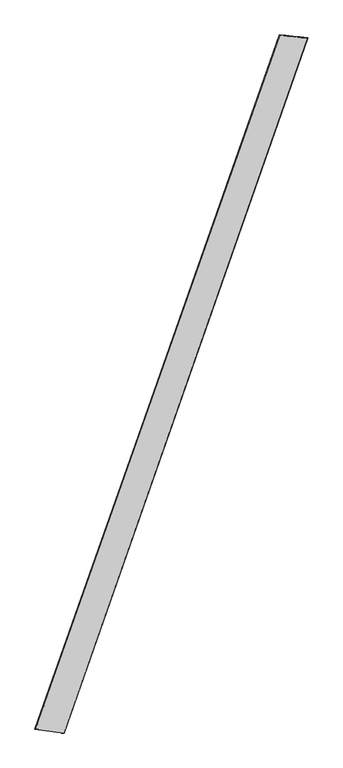
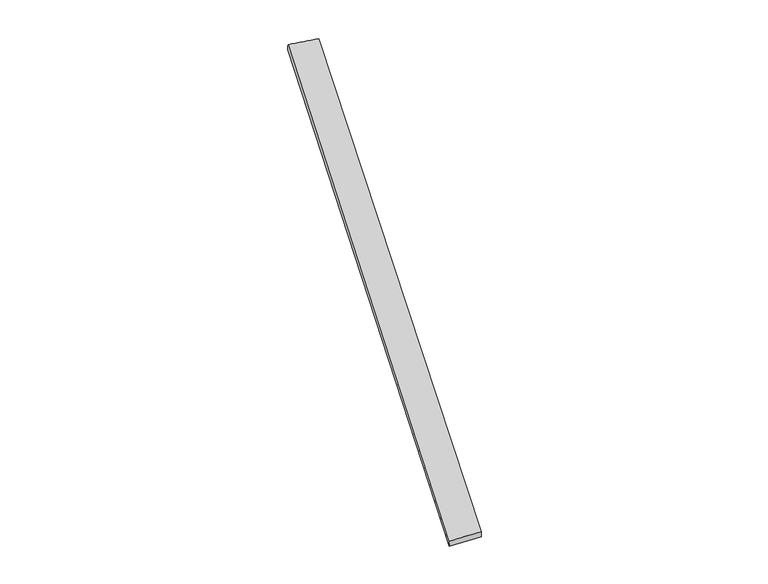
"""IFC4 building model written with IfcOpenShell, lengths in millimetres: proxy geometry."""

import ifcopenshell
import ifcopenshell.guid

model = None  # the IFC model being written
_history = None  # IfcOwnerHistory: only IFC2X3 demands one
_inside = {}  # id of a spatial element -> (the spatial element, [elements in it])
_under = {}  # id of a project, library or spatial element -> (it, [spatial elements below it])
_declared = {}  # id of a project -> (the project, [libraries it declares])
_typed = {}  # id of a type object -> (the type object, [elements of that type])
_made_of = {}  # id of a material, layer set ... -> (it, [elements and type objects made of it])


def new_model(schema):
    """Start an empty IFC model of exactly this schema.

    Asked for "IFC4X3", IfcOpenShell would pick the latest addendum, in which some entities
    have other attributes; the version numbers below select the first issue.
    IFC2X3 requires an IfcOwnerHistory on every rooted entity: one is made here for all.
    """
    global model, _history
    if schema == "IFC4X3":
        model = ifcopenshell.file(schema_version=(4, 3, 0, 0))
    else:
        model = ifcopenshell.file(schema=schema)
    _inside.clear()
    _under.clear()
    _declared.clear()
    _typed.clear()
    _made_of.clear()
    _history = None
    if model.schema == "IFC2X3":
        org = make("IfcOrganization", Name="unknown")
        user = make(
            "IfcPersonAndOrganization",
            ThePerson=make("IfcPerson", FamilyName="unknown"),
            TheOrganization=org,
        )
        app = make(
            "IfcApplication",
            ApplicationDeveloper=org,
            Version="unknown",
            ApplicationFullName="unknown",
            ApplicationIdentifier="unknown",
        )
        _history = make(
            "IfcOwnerHistory",
            OwningUser=user,
            OwningApplication=app,
            ChangeAction="ADDED",
            CreationDate=0,
        )
    return model


def make(cls, **values):
    """One entity of the class cls with the attributes given. An attribute that is None is left unset."""
    return model.create_entity(
        cls, **{name: value for name, value in values.items() if value is not None}
    )


def rooted(cls, **values):
    """An entity with a GlobalId (a new one), such as an element, a storey or a relation."""
    return make(cls, GlobalId=ifcopenshell.guid.new(), OwnerHistory=_history, **values)


def si_unit(unit_type, name, prefix=None):
    """IfcSIUnit, for example si_unit("LENGTHUNIT", "METRE", prefix="MILLI")."""
    return make("IfcSIUnit", UnitType=unit_type, Prefix=prefix, Name=name)


def assignment(units):
    """IfcUnitAssignment: the units of a project."""
    return None if units is None else make("IfcUnitAssignment", Units=units)


def point(xyz):
    """IfcCartesianPoint."""
    return None if xyz is None else make("IfcCartesianPoint", Coordinates=xyz)


def direction(xyz):
    """IfcDirection."""
    return None if xyz is None else make("IfcDirection", DirectionRatios=xyz)


def frame(location, z_axis=None, x_axis=None):
    """IfcAxis2Placement3D, a coordinate frame: its origin and axes. An axis left out is left unset."""
    return make(
        "IfcAxis2Placement3D",
        Location=point(location),
        Axis=direction(z_axis),
        RefDirection=direction(x_axis),
    )


def origin():
    """The frame at (0, 0, 0) with its axes left unset."""
    return frame((0.0, 0.0, 0.0))


def place(relative_to, where):
    """IfcLocalPlacement: puts the frame where relative to a parent placement (None: the world)."""
    return make(
        "IfcLocalPlacement", PlacementRelTo=relative_to, RelativePlacement=where
    )


def context(
    kind, dimensions, precision=None, world=None, true_north=None, identifier=None
):
    """IfcGeometricRepresentationContext, for example the 3D "Model" context."""
    return make(
        "IfcGeometricRepresentationContext",
        ContextIdentifier=identifier,
        ContextType=kind,
        CoordinateSpaceDimension=dimensions,
        Precision=precision,
        WorldCoordinateSystem=world,
        TrueNorth=true_north,
    )


def project(units=None, contexts=None):
    """IfcProject with its units and contexts."""
    return rooted(
        "IfcProject",
        Name="project",
        RepresentationContexts=contexts,
        UnitsInContext=assignment(units),
    )


def spatial(cls, under=None, at=None, **own):
    """A site, building, storey or space (cls), placed at a placement, below another one or the project."""
    s = rooted(cls, ObjectPlacement=at, **own)
    if under is not None:
        _under.setdefault(under.id(), (under, []))[1].append(s)
    return s


def shape(context_of_items, identifier, shape_type, items):
    """IfcShapeRepresentation: the items that make up one representation, for example the "Body"."""
    return make(
        "IfcShapeRepresentation",
        ContextOfItems=context_of_items,
        RepresentationIdentifier=identifier,
        RepresentationType=shape_type,
        Items=items,
    )


def source(mapping_origin, context_of_items, identifier, shape_type, items):
    """IfcRepresentationMap: a shape defined once, which mapped items show again and again."""
    return make(
        "IfcRepresentationMap",
        MappingOrigin=mapping_origin,
        MappedRepresentation=shape(context_of_items, identifier, shape_type, items),
    )


def transform(
    local_origin,
    x_axis=None,
    y_axis=None,
    z_axis=None,
    scale=None,
    scale2=None,
    scale3=None,
    uniform=True,
):
    """IfcCartesianTransformationOperator3D, or its non-uniform kind. x_axis, y_axis, z_axis: its Axis1, 2, 3."""
    if uniform:
        return make(
            "IfcCartesianTransformationOperator3D",
            Axis1=direction(x_axis),
            Axis2=direction(y_axis),
            LocalOrigin=point(local_origin),
            Scale=scale,
            Axis3=direction(z_axis),
        )
    return make(
        "IfcCartesianTransformationOperator3DnonUniform",
        Axis1=direction(x_axis),
        Axis2=direction(y_axis),
        LocalOrigin=point(local_origin),
        Scale=scale,
        Axis3=direction(z_axis),
        Scale2=scale2,
        Scale3=scale3,
    )


def mapped(mapping_source, mapping_target):
    """IfcMappedItem: shows the shape of a source again, moved by a transform."""
    return make(
        "IfcMappedItem", MappingSource=mapping_source, MappingTarget=mapping_target
    )


def made_of(thing, what):
    """Note that an element or type object is made of a material, layer set ...; save() writes the relation."""
    if what is not None:
        _made_of.setdefault(what.id(), (what, []))[1].append(thing)
    return thing


def element(
    cls,
    number,
    at=None,
    inside=None,
    cuts=None,
    type_object=None,
    material=None,
    context=None,
    identifier="Body",
    shape_type=None,
    held_by="IfcProductDefinitionShape",
    body=None,
    shapes=None,
    **own,
):
    """One element of the class cls, such as IfcWall. Its Tag is "e" and its number.

    at: its placement. inside: the storey or other place that contains it. cuts: it is an
    opening in that element (IfcRelVoidsElement). A single representation is given by context,
    identifier, shape_type and body (its items); several are given by shapes. held_by: the class
    of the entity that holds the representations. save() writes the other relations.
    """
    e = rooted(cls, Tag="e%d" % number, ObjectPlacement=at, **own)
    if body is not None:
        shapes = [shape(context, identifier, shape_type, body)]
    if shapes is not None:
        e.Representation = make(held_by, Representations=shapes)
    if inside is not None:
        _inside.setdefault(inside.id(), (inside, []))[1].append(e)
    if cuts is not None:
        rooted(
            "IfcRelVoidsElement", RelatingBuildingElement=cuts, RelatedOpeningElement=e
        )
    if type_object is not None:
        _typed.setdefault(type_object.id(), (type_object, []))[1].append(e)
    return made_of(e, material)


def aggregate(whole, parts):
    """IfcRelAggregates: a whole, such as a stair, and the parts it consists of."""
    return rooted("IfcRelAggregates", RelatingObject=whole, RelatedObjects=parts)


def save(model, path):
    """Write the relations noted so far, then the file.

    IfcRelAggregates (storeys below a building ...), IfcRelContainedInSpatialStructure (elements
    in a storey), IfcRelDefinesByType, IfcRelAssociatesMaterial and IfcRelDeclares: one each for
    every whole, place, type object, material and project.
    """
    for whole, parts in _under.values():
        aggregate(whole, parts)
    for where, things in _inside.values():
        rooted(
            "IfcRelContainedInSpatialStructure",
            RelatedElements=things,
            RelatingStructure=where,
        )
    for kind, things in _typed.values():
        rooted("IfcRelDefinesByType", RelatedObjects=things, RelatingType=kind)
    for what, things in _made_of.values():
        rooted("IfcRelAssociatesMaterial", RelatedObjects=things, RelatingMaterial=what)
    for by, libraries in _declared.values():
        rooted("IfcRelDeclares", RelatingContext=by, RelatedDefinitions=libraries)
    model.write(path)


def spline_surface(u_degree, v_degree, points, u_multiplicities, v_multiplicities, u_knots, v_knots, weights=None):
    """IfcBSplineSurfaceWithKnots; with weights, IfcRationalBSplineSurfaceWithKnots. points: one row for each step in u."""
    own = dict(
        UDegree=u_degree,
        VDegree=v_degree,
        ControlPointsList=[[point(p) for p in row] for row in points],
        SurfaceForm="UNSPECIFIED",
        UClosed=False,
        VClosed=False,
        SelfIntersect=False,
        UMultiplicities=u_multiplicities,
        VMultiplicities=v_multiplicities,
        UKnots=u_knots,
        VKnots=v_knots,
        KnotSpec="UNSPECIFIED",
    )
    if weights is None:
        return make("IfcBSplineSurfaceWithKnots", **own)
    return make("IfcRationalBSplineSurfaceWithKnots", WeightsData=weights, **own)


def advanced_brep(points, edges, surfaces, faces):
    """IfcAdvancedBrep: a solid bounded by faces that lie on surfaces and meet in shared edges.

    An edge is (start, end): straight between two places in points (the first is 0);
    or (start, end, curve); or (start, end, curve, False) where it runs against its curve.
    A face is (place in surfaces, loops), or (place, loops, False) where it looks against
    its surface's normal. A loop lists edges by number (the first is 1), with a minus sign
    where the edge is run from its end to its start. The first loop is the outer one.
    """
    corners = [point(p) for p in points]
    vertices = [make("IfcVertexPoint", VertexGeometry=c) for c in corners]
    made = []
    for start, end, *more in edges:
        made.append(
            make(
                "IfcEdgeCurve",
                EdgeStart=vertices[start],
                EdgeEnd=vertices[end],
                EdgeGeometry=more[0] if more else make("IfcPolyline", Points=[corners[start], corners[end]]),
                SameSense=more[1] if len(more) > 1 else True,
            )
        )
    hull = []
    for where, loops, *sense in faces:
        bounds = []
        for j, loop in enumerate(loops):
            ring = [make("IfcOrientedEdge", EdgeElement=made[abs(k) - 1], Orientation=k > 0) for k in loop]
            bounds.append(
                make(
                    "IfcFaceOuterBound" if j == 0 else "IfcFaceBound",
                    Bound=make("IfcEdgeLoop", EdgeList=ring),
                    Orientation=True,
                )
            )
        hull.append(make("IfcAdvancedFace", Bounds=bounds, FaceSurface=surfaces[where], SameSense=sense[0] if sense else True))
    return make("IfcAdvancedBrep", Outer=make("IfcClosedShell", CfsFaces=hull))


def generic_models_34538242(model_context):
    return source(origin(), model_context, "Body", "AdvancedBrep", [
        advanced_brep(
        [(-693.6197944, -1757.1701459, -5.6095046), (-696.9956982, -1756.0693529, 24.179613), (684.8847392, 2155.2021454, 35.6827253), (682.7731342, 2156.0318406, 5.7686362), (-531.8110129, -1777.6926608, 35.5949386), (843.9909188, 2138.5375027, 24.1620994), (-531.1277456, -1778.0192049, 5.6044982), (841.9744058, 2139.1575102, -5.7636298)],
        [
            (0, 1),
            (1, 2),
            (2, 3),
            (3, 0),
            (1, 4),
            (4, 5),
            (5, 2),
            (4, 6),
            (6, 7),
            (7, 5),
            (6, 0),
            (3, 7),
        ],
        [
            spline_surface(1, 1, [[(-693.6197944, -1757.1701459, -5.6095046), (682.7731342, 2156.0318406, 5.7686362)], [(-696.9956982, -1756.0693529, 24.179613), (684.8847392, 2155.2021454, 35.6827253)]], [2, 2], [2, 2], [0.0, 1.0], [0.0, 1.0]),
            spline_surface(1, 1, [[(-696.9956982, -1756.0693529, 24.179613), (684.8847392, 2155.2021454, 35.6827253)], [(-531.8110129, -1777.6926608, 35.5949386), (843.9909188, 2138.5375027, 24.1620994)]], [2, 2], [2, 2], [0.0, 1.0], [0.0, 1.0]),
            spline_surface(1, 1, [[(-531.8110129, -1777.6926608, 35.5949386), (843.9909188, 2138.5375027, 24.1620994)], [(-531.1277456, -1778.0192049, 5.6044982), (841.9744058, 2139.1575102, -5.7636298)]], [2, 2], [2, 2], [0.0, 1.0], [0.0, 1.0]),
            spline_surface(1, 1, [[(-531.1277456, -1778.0192049, 5.6044982), (841.9744058, 2139.1575102, -5.7636298)], [(-693.6197944, -1757.1701459, -5.6095046), (682.7731342, 2156.0318406, 5.7686362)]], [2, 2], [2, 2], [0.0, 1.0], [0.0, 1.0]),
            spline_surface(1, 1, [[(684.8847392, 2155.2021454, 35.6827253), (682.7731342, 2156.0318406, 5.7686362)], [(843.9909188, 2138.5375027, 24.1620994), (841.9744058, 2139.1575102, -5.7636298)]], [2, 2], [2, 2], [0.0, 1.0], [0.0, 1.0]),
            spline_surface(1, 1, [[(-531.1277456, -1778.0192049, 5.6044982), (-693.6197944, -1757.1701459, -5.6095046)], [(-531.8110129, -1777.6926608, 35.5949386), (-696.9956982, -1756.0693529, 24.179613)]], [2, 2], [2, 2], [0.0, 1.0], [0.0, 1.0]),
        ],
        [
            (0, [[1, 2, 3, 4]]),
            (1, [[5, 6, 7, -2]]),
            (2, [[8, 9, 10, -6]]),
            (3, [[11, -4, 12, -9]]),
            (4, [[-3, -7, -10, -12]]),
            (5, [[-11, -8, -5, -1]]),
        ],
    ),
    ])


if __name__ == "__main__":
    model = new_model("IFC4")
    model_context = context("Model", 3, world=origin())
    ifc_project = project(units=[si_unit("LENGTHUNIT", "METRE", prefix="MILLI")], contexts=[model_context])
    site = spatial("IfcSite", under=ifc_project)
    building = spatial("IfcBuilding", under=site)
    placement = place(None, origin())
    generic_models_shape = generic_models_34538242(model_context)
    element("IfcBuildingElementProxy", 1, Name="Generic Models", at=placement, inside=building, context=model_context, shape_type="MappedRepresentation", body=[
        mapped(generic_models_shape, transform((0.0, 0.0, 0.0), x_axis=(1.0, 0.0, 0.0), y_axis=(0.0, 1.0, 0.0), z_axis=(0.0, 0.0, 1.0))),
    ])
    save(model, "model.ifc")
